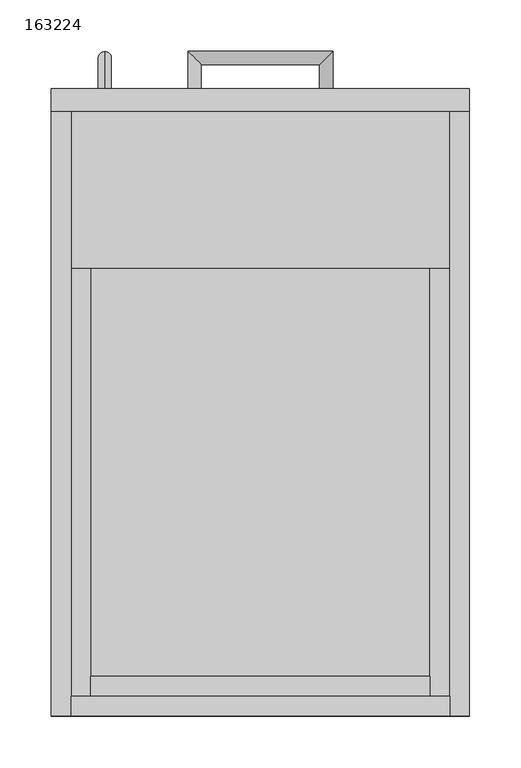
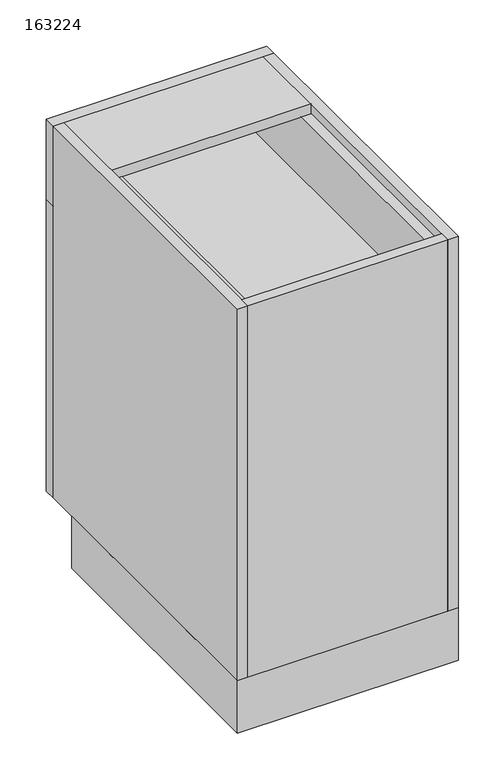
"""IFC4 building model written with IfcOpenShell, lengths in millimetres: furniture geometry, 163224."""

from ifc_helpers import new_model, si_unit, frame, origin, origin_with_axes, place, context, project, spatial, polyline, circle_curve, ellipse_curve, outline, extrude, source, transform, mapped, element, save
from ifc_brep_helpers import plane_surface, cylinder_surface, advanced_brep


def furniture_163224_32a618fe(model_context):
    return source(origin(), model_context, "Body", "SolidModel", [
        extrude(outline(polyline([(-146.0622951, 19.2), (-146.0622951, 38.4), (183.5377049, 38.4), (183.5377049, 19.2), (-146.0622951, 19.2)])), frame((0.0, 0.0, 689.125), z_axis=(0.0, 0.0, 1.0), x_axis=(1.0, 0.0, 0.0)), (0.0, 0.0, 1.0), 117.175),
        extrude(outline(polyline([(806.3, -165.2622951), (669.925, -165.2622951), (669.925, 202.7377049), (806.3, 202.7377049), (806.3, 183.5377049), (689.125, 183.5377049), (689.125, -146.0622951), (806.3, -146.0622951), (806.3, -165.2622951)])), frame((0.0, 19.2, 0.0), z_axis=(0.0, 1.0, 0.0), x_axis=(0.0, 0.0, 1.0)), (0.0, 0.0, 1.0), 568.4),
        extrude(outline(polyline([(-184.4622951, 0.0), (-184.4622951, 528.6), (221.9377049, 528.6), (221.9377049, 0.0), (-184.4622951, 0.0)]), holes=[polyline([(-165.2622951, 509.4), (-165.2622951, 19.2), (202.7377049, 19.2), (202.7377049, 509.4), (-165.2622951, 509.4)])]), origin_with_axes(), (0.0, 0.0, 1.0), 101.5996875),
        extrude(outline(polyline([(202.7377049, 587.6), (202.7377049, 19.2), (-165.2622951, 19.2), (-165.2622951, 587.6), (202.7377049, 587.6)])), frame((0.0, 0.0, 101.5996875), z_axis=(0.0, 0.0, 1.0), x_axis=(1.0, 0.0, 0.0)), (0.0, 0.0, 1.0), 19.2),
        extrude(outline(polyline([(202.7377049, 0.0), (-165.2622951, 0.0), (-165.2622951, 19.2), (202.7377049, 19.2), (202.7377049, 0.0)])), frame((0.0, 0.0, 101.5996875), z_axis=(0.0, 0.0, 1.0), x_axis=(1.0, 0.0, 0.0)), (0.0, 0.0, 1.0), 723.9003125),
        extrude(outline(polyline([(-165.2622951, 0.0), (-184.4622951, 0.0), (-184.4622951, 587.6), (-165.2622951, 587.6), (-165.2622951, 0.0)])), frame((0.0, 0.0, 101.5996875), z_axis=(0.0, 0.0, 1.0), x_axis=(1.0, 0.0, 0.0)), (0.0, 0.0, 1.0), 723.9003125),
        extrude(outline(polyline([(221.9377049, 0.0), (202.7377049, 0.0), (202.7377049, 587.6), (221.9377049, 587.6), (221.9377049, 0.0)])), frame((0.0, 0.0, 101.5996875), z_axis=(0.0, 0.0, 1.0), x_axis=(1.0, 0.0, 0.0)), (0.0, 0.0, 1.0), 723.9003125),
        extrude(outline(polyline([(-165.2622951, 587.6), (202.7377049, 587.6), (202.7377049, 435.2), (-165.2622951, 435.2), (-165.2622951, 587.6)])), frame((0.0, 0.0, 806.3), z_axis=(0.0, 0.0, 1.0), x_axis=(1.0, 0.0, 0.0)), (0.0, 0.0, 1.0), 19.2),
        extrude(outline(polyline([(202.7377049, 19.2), (-165.2622951, 19.2), (-165.2622951, 587.6), (202.7377049, 587.6), (202.7377049, 19.2)])), frame((0.0, 0.0, 385.7623437), z_axis=(0.0, 0.0, 1.0), x_axis=(1.0, 0.0, 0.0)), (0.0, 0.0, 1.0), 19.2),
        advanced_brep(
        [(-132.4622951, 609.6, 551.575), (-132.4622951, 609.6, 564.275), (-132.4622951, 645.95, 564.275), (-132.4622951, 633.25, 551.575), (-132.4622951, 645.95, 423.575), (-132.4622951, 633.25, 436.275), (-132.4622951, 609.6, 436.275), (-132.4622951, 609.6, 423.575)],
        [
            (0, 1, circle_curve(frame((-132.4622951, 609.6, 557.925), z_axis=(0.0, -1.0, 0.0), x_axis=(0.0, 0.0, 1.0)), 6.35)),
            (1, 0, circle_curve(frame((-132.4622951, 609.6, 557.925), z_axis=(0.0, -1.0, 0.0), x_axis=(0.0, 0.0, 1.0)), 6.35)),
            (1, 2),
            (2, 3, ellipse_curve(frame((-132.4622951, 639.6, 557.925), z_axis=(0.0, -0.7071067811865475, 0.7071067811865475), x_axis=(0.0, -0.7071067811865476, -0.7071067811865474)), 8.9802561, 6.35)),
            (3, 0),
            (3, 2, ellipse_curve(frame((-132.4622951, 639.6, 557.925), z_axis=(0.0, -0.7071067811865475, 0.7071067811865475), x_axis=(0.0, -0.7071067811865476, -0.7071067811865474)), 8.9802561, 6.35)),
            (2, 4),
            (4, 5, ellipse_curve(frame((-132.4622951, 639.6, 429.925), z_axis=(0.0, 0.7071067811865475, 0.7071067811865475), x_axis=(0.0, -0.7071067811865474, 0.7071067811865476)), 8.9802561, 6.35)),
            (5, 3),
            (5, 4, ellipse_curve(frame((-132.4622951, 639.6, 429.925), z_axis=(0.0, 0.7071067811865475, 0.7071067811865475), x_axis=(0.0, -0.7071067811865474, 0.7071067811865476)), 8.9802561, 6.35)),
            (6, 7, circle_curve(frame((-132.4622951, 609.6, 429.925), z_axis=(0.0, -1.0, 0.0), x_axis=(0.0, 0.0, -1.0)), 6.35)),
            (7, 6, circle_curve(frame((-132.4622951, 609.6, 429.925), z_axis=(0.0, -1.0, 0.0), x_axis=(0.0, 0.0, -1.0)), 6.35)),
            (4, 7),
            (6, 5),
        ],
        [
            plane_surface(frame((-132.4622951, 609.6, 557.925), z_axis=(0.0, -1.0, 0.0), x_axis=(-1.0, 0.0, 0.0))),
            cylinder_surface(frame((-132.4622951, 609.6, 557.925), z_axis=(0.0, -1.0, 0.0), x_axis=(0.0, 0.0, 1.0)), 6.35),
            cylinder_surface(frame((-132.4622951, 639.6, 557.925), z_axis=(0.0, 0.0, 1.0), x_axis=(0.0, 1.0, 0.0)), 6.35),
            plane_surface(frame((-132.4622951, 609.6, 429.925), z_axis=(0.0, -1.0, 0.0), x_axis=(-1.0, 0.0, 0.0))),
            cylinder_surface(frame((-132.4622951, 639.6, 429.925), z_axis=(0.0, 1.0, 0.0), x_axis=(0.0, 0.0, -1.0)), 6.35),
        ],
        [
            (0, [[1, 2]]),
            (1, [[3, 4, 5, -2]]),
            (1, [[-5, 6, -3, -1]]),
            (2, [[7, 8, 9, -4]]),
            (2, [[-9, 10, -7, -6]]),
            (3, [[11, 12]]),
            (4, [[13, -11, 14, -8]]),
            (4, [[-14, -12, -13, -10]]),
        ],
    ),
        advanced_brep(
        [(-51.6122951, 609.6, 747.7125), (-38.9122951, 609.6, 747.7125), (-38.9122951, 633.25, 747.7125), (-51.6122951, 645.95, 747.7125), (76.3877049, 633.25, 747.7125), (89.0877049, 645.95, 747.7125), (89.0877049, 609.6, 747.7125), (76.3877049, 609.6, 747.7125)],
        [
            (0, 1, circle_curve(frame((-45.2622951, 609.6, 747.7125), z_axis=(0.0, -1.0, 0.0), x_axis=(1.0, 0.0, 0.0)), 6.35)),
            (1, 0, circle_curve(frame((-45.2622951, 609.6, 747.7125), z_axis=(0.0, -1.0, 0.0), x_axis=(1.0, 0.0, 0.0)), 6.35)),
            (1, 2),
            (2, 3, ellipse_curve(frame((-45.2622951, 639.6, 747.7125), z_axis=(-0.7071067811865475, -0.7071067811865475, 0.0), x_axis=(0.7071067811865474, -0.7071067811865476, 0.0)), 8.9802561, 6.35)),
            (3, 0),
            (3, 2, ellipse_curve(frame((-45.2622951, 639.6, 747.7125), z_axis=(-0.7071067811865475, -0.7071067811865475, 0.0), x_axis=(0.7071067811865474, -0.7071067811865476, 0.0)), 8.9802561, 6.35)),
            (2, 4),
            (4, 5, ellipse_curve(frame((82.7377049, 639.6, 747.7125), z_axis=(-0.7071067811865475, 0.7071067811865475, 0.0), x_axis=(-0.7071067811865476, -0.7071067811865474, 0.0)), 8.9802561, 6.35)),
            (5, 3),
            (5, 4, ellipse_curve(frame((82.7377049, 639.6, 747.7125), z_axis=(-0.7071067811865475, 0.7071067811865475, 0.0), x_axis=(-0.7071067811865476, -0.7071067811865474, 0.0)), 8.9802561, 6.35)),
            (6, 7, circle_curve(frame((82.7377049, 609.6, 747.7125), z_axis=(0.0, -1.0, 0.0), x_axis=(-1.0, 0.0, 0.0)), 6.35)),
            (7, 6, circle_curve(frame((82.7377049, 609.6, 747.7125), z_axis=(0.0, -1.0, 0.0), x_axis=(-1.0, 0.0, 0.0)), 6.35)),
            (4, 7),
            (6, 5),
        ],
        [
            plane_surface(frame((-45.2622951, 609.6, 747.7125), z_axis=(0.0, -1.0, 0.0), x_axis=(0.0, 0.0, 1.0))),
            cylinder_surface(frame((-45.2622951, 609.6, 747.7125), z_axis=(0.0, -1.0, 0.0), x_axis=(1.0, 0.0, 0.0)), 6.35),
            cylinder_surface(frame((-45.2622951, 639.6, 747.7125), z_axis=(-1.0, 0.0, 0.0), x_axis=(0.0, -1.0, 0.0)), 6.35),
            plane_surface(frame((82.7377049, 609.6, 747.7125), z_axis=(0.0, -1.0, 0.0), x_axis=(0.0, 0.0, 1.0))),
            cylinder_surface(frame((82.7377049, 639.6, 747.7125), z_axis=(0.0, 1.0, 0.0), x_axis=(-1.0, 0.0, 0.0)), 6.35),
        ],
        [
            (0, [[1, 2]]),
            (1, [[3, 4, 5, -2]]),
            (1, [[-5, 6, -3, -1]]),
            (2, [[7, 8, 9, -4]]),
            (2, [[-9, 10, -7, -6]]),
            (3, [[11, 12]]),
            (4, [[13, -11, 14, -8]]),
            (4, [[-14, -12, -13, -10]]),
        ],
    ),
        extrude(outline(polyline([(-184.4622951, 609.6), (221.9377049, 609.6), (221.9377049, 587.6), (-184.4622951, 587.6), (-184.4622951, 609.6)])), frame((0.0, 0.0, 669.925), z_axis=(0.0, 0.0, 1.0), x_axis=(1.0, 0.0, 0.0)), (0.0, 0.0, 1.0), 155.575),
        extrude(outline(polyline([(-184.4622951, 587.6), (-184.4622951, 609.6), (221.9377049, 609.6), (221.9377049, 587.6), (-184.4622951, 587.6)])), frame((0.0, 0.0, 101.5996875), z_axis=(0.0, 0.0, 1.0), x_axis=(1.0, 0.0, 0.0)), (0.0, 0.0, 1.0), 568.3253125),
    ])


if __name__ == "__main__":
    model = new_model("IFC4")
    model_context = context("Model", 3, world=origin())
    ifc_project = project(units=[si_unit("LENGTHUNIT", "METRE", prefix="MILLI")], contexts=[model_context])
    site = spatial("IfcSite", under=ifc_project)
    building = spatial("IfcBuilding", under=site)
    placement = place(None, origin())
    furniture_163224_shape = furniture_163224_32a618fe(model_context)
    element("IfcFurniture", 1, ObjectType="163224", at=placement, inside=building, context=model_context, shape_type="MappedRepresentation", body=[
        mapped(furniture_163224_shape, transform((0.0, 0.0, 0.0), x_axis=(1.0, 0.0, 0.0), y_axis=(0.0, 1.0, 0.0), z_axis=(0.0, 0.0, 1.0))),
    ])
    save(model, "model.ifc")
